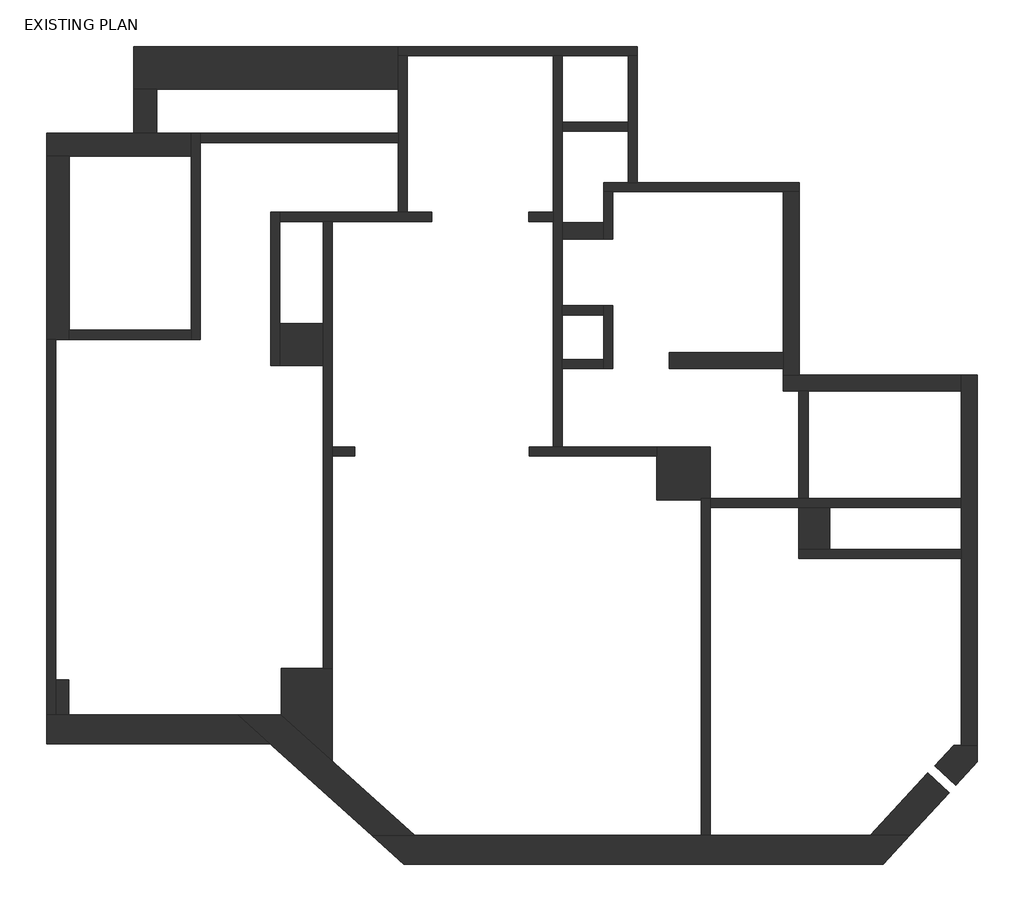
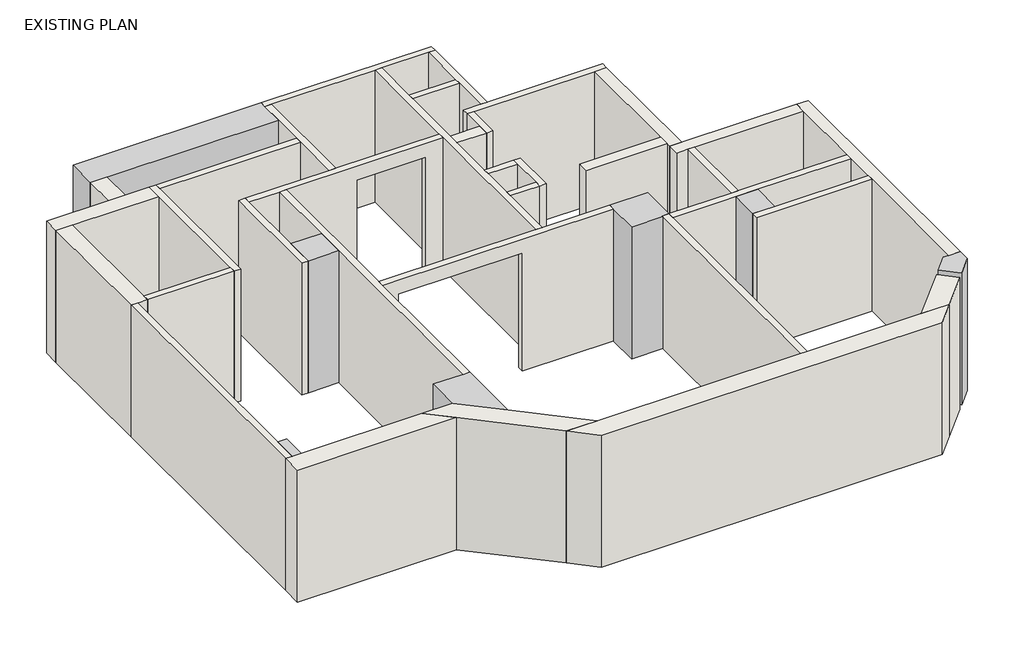
# One storey: 34 walls, 7 columns.
"""IFC4 building model written with IfcOpenShell, lengths in millimetres."""

from ifc_helpers import new_model, si_unit, origin, origin_with_axes, place, context, project, spatial, polyline, outline, extrude, faceted_brep, element, save

model = new_model("IFC4")

# Units and contexts
model_context = context("Model", 3, world=origin())
ifc_project = project(units=[si_unit("LENGTHUNIT", "METRE", prefix="MILLI")], contexts=[model_context])

# Site, building, storey
site = spatial("IfcSite", under=ifc_project)
building = spatial("IfcBuilding", under=site)
storey = spatial("IfcBuildingStorey", under=building, Name="EXISTING PLAN", Elevation=0.0)

# Columns
placement = place(None, origin())
element("IfcColumn", 1, ObjectType="Rectangular Column : 1' 4 1/2\" x 1' 10 3/8\"", at=placement, inside=storey, context=model_context, shape_type="SweptSolid", body=[
    extrude(outline(polyline([(-3485.2627902, 251.6538899), (-3485.2627902, -316.6711101), (-3904.3627902, -316.6711101), (-3904.3627902, 251.6538899), (-3485.2627902, 251.6538899)])), origin_with_axes(), (0.0, 0.0, 1.0), 2667.0),
])
element("IfcColumn", 2, ObjectType="Rectangular Column : 1'10 1/2\" x 1' 11 1/8", at=placement, inside=storey, context=model_context, shape_type="SweptSolid", body=[
    extrude(outline(polyline([(-10368.6627902, 2753.5538899), (-10368.6627902, 2182.0538899), (-10956.0377902, 2182.0538899), (-10956.0377902, 2753.5538899), (-10368.6627902, 2753.5538899)])), origin_with_axes(), (0.0, 0.0, 1.0), 2667.0),
])
element("IfcColumn", 3, ObjectType="Rectangular Column : 11' 9 3/8\" x 1' 10 3/4\"", at=placement, inside=storey, context=model_context, shape_type="Brep", body=[
    faceted_brep([(-9349.4877902, 6519.1038899, 0.0), (-9349.4877902, 6395.2788899, 0.0), (-9349.4877902, 5941.2538899, 0.0), (-12629.2627902, 5941.2538899, 0.0), (-12940.4127902, 5941.2538899, 0.0), (-12940.4127902, 6519.1038899, 0.0), (-9349.4877902, 6519.1038899, 2667.0), (-9349.4877902, 6395.2788899, 2667.0), (-9349.4877902, 5941.2538899, 2667.0), (-12629.2627902, 5941.2538899, 2667.0), (-12940.4127902, 5941.2538899, 2667.0), (-12940.4127902, 6519.1038899, 2667.0)], [[[0, 1, 2, 3, 4, 5]], [[6, 7, 8, 2, 1, 0]], [[8, 9, 10, 4, 3, 2]], [[10, 11, 5, 4]], [[11, 6, 0, 5]], [[6, 11, 10, 9, 8, 7]]]),
])
element("IfcColumn", 4, ObjectType="Rectangular Column : 2'-4.5\" x 2'-4.5\"", at=placement, inside=storey, context=model_context, shape_type="Brep", body=[
    faceted_brep([(-5834.7627902, 353.2538899, 0.0), (-5834.7627902, 953.3288899, 0.0), (-5834.7627902, 1077.1538899, 0.0), (-5110.8627902, 1077.1538899, 0.0), (-5110.8627902, 375.4788899, 0.0), (-5234.6877902, 375.4788899, 0.0), (-5234.6877902, 353.2538899, 0.0), (-5110.8627902, 1077.1538899, 2667.0), (-5110.8627902, 375.4788899, 2667.0), (-5834.7627902, 353.2538899, 2667.0), (-5234.6877902, 353.2538899, 2667.0), (-5834.7627902, 953.3288899, 2667.0), (-5834.7627902, 1077.1538899, 2667.0), (-5234.6877902, 375.4788899, 2667.0)], [[[0, 1, 2, 3, 4, 5, 6]], [[3, 7, 8, 4]], [[9, 0, 6, 10]], [[2, 1, 0, 9, 11, 12]], [[3, 2, 12, 7]], [[12, 11, 9, 10, 13, 8, 7]], [[5, 13, 10, 6]], [[13, 5, 4, 8]]]),
])
element("IfcColumn", 5, ObjectType="Rectangular Column : 8 3/4\" x 18 3/4\"", at=placement, inside=storey, context=model_context, shape_type="SweptSolid", body=[
    extrude(outline(polyline([(-13829.4127902, -2091.4961101), (-13829.4127902, -2567.7461101), (-14004.0377902, -2567.7461101), (-14004.0377902, -2091.4961101), (-13829.4127902, -2091.4961101)])), origin_with_axes(), (0.0, 0.0, 1.0), 2667.0),
])
element("IfcColumn", 6, ObjectType="column : column", at=placement, inside=storey, context=model_context, shape_type="Brep", body=[
    faceted_brep([(-10940.1627902, -1934.034389, 0.0), (-10368.6627902, -1934.034389, 0.0), (-10244.8377902, -1934.034389, 0.0), (-10244.8377902, -3196.2210054, 0.0), (-10940.1627902, -2570.1475633, 0.0), (-10940.1627902, -1934.034389, 2667.0), (-10940.1627902, -2570.1475633, 2667.0), (-10368.6627902, -1934.034389, 2667.0), (-10244.8377902, -1934.034389, 2667.0), (-10244.8377902, -3196.2210054, 2667.0)], [[[0, 1, 2, 3, 4]], [[5, 0, 4, 6]], [[2, 1, 0, 5, 7, 8]], [[2, 8, 9, 3]], [[8, 7, 5, 6, 9]], [[4, 3, 9, 6]]]),
])
element("IfcColumn", 7, ObjectType="column2 : column2", at=placement, inside=storey, context=model_context, shape_type="Brep", body=[
    faceted_brep([(-1478.6627902, -2978.7503636, 0.0), (-1478.6627902, -3208.2510843, 0.0), (-1770.2133842, -3524.9494192, 0.0), (-2059.8636774, -3258.2990908, 0.0), (-1802.5127902, -2978.7503636, 0.0), (-1700.9127902, -2978.7503636, 0.0), (-1478.6627902, -2978.7503636, 2667.0), (-1478.6627902, -3208.2510843, 2667.0), (-1770.2133842, -3524.9494192, 2667.0), (-2059.8636774, -3258.2990908, 2667.0), (-1802.5127902, -2978.7503636, 2667.0), (-1700.9127902, -2978.7503636, 2667.0)], [[[0, 1, 2, 3, 4, 5]], [[6, 7, 1, 0]], [[7, 8, 2, 1]], [[8, 9, 3, 2]], [[10, 11, 6, 0, 5, 4]], [[6, 11, 10, 9, 8, 7]], [[9, 10, 4, 3]]]),
])

# Walls
element("IfcWall", 8, ObjectType="Exterior - Brick on CMU 1' 3.5\"", at=placement, inside=storey, context=model_context, shape_type="Brep", body=[
    faceted_brep([(-14127.8627902, -2961.4461101, 0.0), (-11093.9571447, -2961.4461101, 0.0), (-11093.9571447, -2961.4461101, 2667.0), (-14127.8627902, -2961.4461101, 2667.0), (-14127.8627902, -2567.7461101, 0.0), (-14127.8627902, -2567.7461101, 2667.0), (-14004.0377902, -2567.7461101, 2667.0), (-13829.4127902, -2567.7461101, 2667.0), (-11531.2052918, -2567.7461101, 2667.0), (-11531.2052918, -2567.7461101, 0.0), (-13829.4127902, -2567.7461101, 0.0), (-14004.0377902, -2567.7461101, 0.0)], [[[0, 1, 2, 3]], [[4, 5, 6, 7, 8, 9, 10, 11]], [[1, 0, 4, 11, 10, 9]], [[3, 2, 8, 7, 6, 5]], [[0, 3, 5, 4]], [[2, 1, 9, 8]]]),
])
element("IfcWall", 9, ObjectType="Exterior - Brick on CMU 1' 3.5\"", at=placement, inside=storey, context=model_context, shape_type="Brep", body=[
    faceted_brep([(-9274.4406617, -4599.7461101, 0.0), (-2759.6647931, -4599.7461101, 0.0), (-2759.6647931, -4599.7461101, 2667.0), (-9274.4406617, -4599.7461101, 2667.0), (-9711.6888088, -4206.0461101, 0.0), (-9711.6888088, -4206.0461101, 2667.0), (-9123.3133911, -4206.0461101, 2667.0), (-5234.6877902, -4206.0461101, 2667.0), (-5110.8627902, -4206.0461101, 2667.0), (-2932.3539181, -4206.0461101, 2667.0), (-2397.2269265, -4206.0461101, 2667.0), (-2397.2269265, -4206.0461101, 0.0), (-2932.3539181, -4206.0461101, 0.0), (-5110.8627902, -4206.0461101, 0.0), (-5234.6877902, -4206.0461101, 0.0), (-9123.3133911, -4206.0461101, 0.0)], [[[0, 1, 2, 3]], [[4, 5, 6, 7, 8, 9, 10, 11, 12, 13, 14, 15]], [[1, 0, 4, 15, 14, 13, 12, 11]], [[3, 2, 10, 9, 8, 7, 6, 5]], [[0, 3, 5, 4]], [[2, 1, 11, 10]]]),
])
element("IfcWall", 10, ObjectType="Exterior - Brick on CMU 1' 3.5\"", at=placement, inside=storey, context=model_context, shape_type="Brep", body=[
    faceted_brep([(-11531.2052918, -2567.7461101, 0.0), (-11093.9571447, -2961.4461101, 0.0), (-9711.6888088, -4206.0461101, 0.0), (-9711.6888088, -4206.0461101, 2667.0), (-11093.9571447, -2961.4461101, 2667.0), (-11531.2052918, -2567.7461101, 2667.0), (-10942.8298741, -2567.7461101, 0.0), (-10942.8298741, -2567.7461101, 2667.0), (-10940.1627902, -2570.1475633, 2667.0), (-10244.8377902, -3196.2210054, 2667.0), (-9123.3133911, -4206.0461101, 2667.0), (-9123.3133911, -4206.0461101, 0.0), (-10244.8377902, -3196.2210054, 0.0), (-10940.1627902, -2570.1475633, 0.0)], [[[0, 1, 2, 3, 4, 5]], [[6, 7, 8, 9, 10, 11, 12, 13]], [[2, 1, 0, 6, 13, 12, 11]], [[5, 4, 3, 10, 9, 8, 7]], [[0, 5, 7, 6]], [[3, 2, 11, 10]]]),
])
element("IfcWall", 11, ObjectType="Exterior - Brick on CMU 1' 3.5\"", at=placement, inside=storey, context=model_context, shape_type="SweptSolid", body=[
    extrude(outline(polyline([(-1862.5259179, -3625.2243845), (-2397.2269265, -4206.0461101), (-2932.3539181, -4206.0461101), (-2152.176211, -3358.574056), (-1862.5259179, -3625.2243845)])), origin_with_axes(), (0.0, 0.0, 1.0), 2667.0),
])
element("IfcWall", 12, ObjectType="Interior - 8 3/4\"", at=placement, inside=storey, context=model_context, shape_type="Brep", body=[
    faceted_brep([(-4120.2627902, 4544.2538899, 0.0), (-4120.2627902, 2359.8538899, 0.0), (-4120.2627902, 2137.6038899, 0.0), (-4120.2627902, 2055.0538899, 0.0), (-4120.2627902, 2055.0538899, 2667.0), (-4120.2627902, 2137.6038899, 2667.0), (-4120.2627902, 2359.8538899, 2667.0), (-4120.2627902, 4544.2538899, 2667.0), (-3898.0127902, 4544.2538899, 0.0), (-3898.0127902, 4544.2538899, 2667.0), (-3898.0127902, 2055.0538899, 2667.0), (-3898.0127902, 2055.0538899, 0.0)], [[[0, 1, 2, 3, 4, 5, 6, 7]], [[8, 9, 10, 11]], [[3, 2, 1, 0, 8, 11]], [[7, 6, 5, 4, 10, 9]], [[0, 7, 9, 8]], [[4, 3, 11, 10]]]),
])
element("IfcWall", 13, ObjectType="Interior - 8 3/4\"", at=placement, inside=storey, context=model_context, shape_type="SweptSolid", body=[
    extrude(outline(polyline([(-5669.6627902, 2359.8538899), (-4120.2627902, 2359.8538899), (-4120.2627902, 2137.6038899), (-5669.6627902, 2137.6038899), (-5669.6627902, 2359.8538899)])), origin_with_axes(), (0.0, 0.0, 1.0), 2667.0),
])
element("IfcWall", 14, ObjectType="Interior - 8 3/4\"", at=placement, inside=storey, context=model_context, shape_type="SweptSolid", body=[
    extrude(outline(polyline([(-7120.6377902, 4125.1538899), (-6555.4877902, 4125.1538899), (-6555.4877902, 3902.9038899), (-7120.6377902, 3902.9038899), (-7120.6377902, 4125.1538899)])), origin_with_axes(), (0.0, 0.0, 1.0), 2667.0),
])
element("IfcWall", 15, ObjectType="Interior - 8 3/4\"", at=placement, inside=storey, context=model_context, shape_type="Brep", body=[
    faceted_brep([(-1700.9127902, 2055.0538899, 0.0), (-1700.9127902, 1832.8038899, 0.0), (-1700.9127902, 375.4788899, 0.0), (-1700.9127902, 251.6538899, 0.0), (-1700.9127902, -316.6711101, 0.0), (-1700.9127902, -440.4961101, 0.0), (-1700.9127902, -2978.7503636, 0.0), (-1700.9127902, -2978.7503636, 2667.0), (-1700.9127902, -440.4961101, 2667.0), (-1700.9127902, -316.6711101, 2667.0), (-1700.9127902, 251.6538899, 2667.0), (-1700.9127902, 375.4788899, 2667.0), (-1700.9127902, 1832.8038899, 2667.0), (-1700.9127902, 2055.0538899, 2667.0), (-1478.6627902, 2055.0538899, 0.0), (-1478.6627902, 2055.0538899, 2667.0), (-1478.6627902, -2978.7503636, 2667.0), (-1478.6627902, -2978.7503636, 0.0)], [[[0, 1, 2, 3, 4, 5, 6, 7, 8, 9, 10, 11, 12, 13]], [[14, 15, 16, 17]], [[6, 5, 4, 3, 2, 1, 0, 14, 17]], [[7, 6, 17, 16]], [[13, 12, 11, 10, 9, 8, 7, 16, 15]], [[0, 13, 15, 14]]]),
])
element("IfcWall", 16, ObjectType="Interior - 8 3/4\"", at=placement, inside=storey, context=model_context, shape_type="Brep", body=[
    faceted_brep([(-1700.9127902, 2055.0538899, 0.0), (-3898.0127902, 2055.0538899, 0.0), (-4120.2627902, 2055.0538899, 0.0), (-4120.2627902, 2055.0538899, 2667.0), (-3898.0127902, 2055.0538899, 2667.0), (-1700.9127902, 2055.0538899, 2667.0), (-1700.9127902, 1832.8038899, 0.0), (-1700.9127902, 1832.8038899, 2667.0), (-3780.5377902, 1832.8038899, 2667.0), (-3904.3627902, 1832.8038899, 2667.0), (-4120.2627902, 1832.8038899, 2667.0), (-4120.2627902, 1832.8038899, 0.0), (-3904.3627902, 1832.8038899, 0.0), (-3780.5377902, 1832.8038899, 0.0)], [[[0, 1, 2, 3, 4, 5]], [[6, 7, 8, 9, 10, 11, 12, 13]], [[2, 1, 0, 6, 13, 12, 11]], [[5, 4, 3, 10, 9, 8, 7]], [[0, 5, 7, 6]], [[3, 2, 11, 10]]]),
])
element("IfcWall", 17, ObjectType="Interior - TYP. 4 7/8\"", at=placement, inside=storey, context=model_context, shape_type="Brep", body=[
    faceted_brep([(-9349.4877902, 6395.2788899, 0.0), (-9225.6627902, 6395.2788899, 0.0), (-7244.4627902, 6395.2788899, 0.0), (-7120.6377902, 6395.2788899, 0.0), (-6222.5571616, 6395.2788899, 0.0), (-6098.7321616, 6395.2788899, 0.0), (-6098.7321616, 6395.2788899, 2667.0), (-6222.5571616, 6395.2788899, 2667.0), (-7120.6377902, 6395.2788899, 2667.0), (-7244.4627902, 6395.2788899, 2667.0), (-9225.6627902, 6395.2788899, 2667.0), (-9349.4877902, 6395.2788899, 2667.0), (-9349.4877902, 6519.1038899, 0.0), (-9349.4877902, 6519.1038899, 2667.0), (-6098.7321616, 6519.1038899, 2667.0), (-6098.7321616, 6519.1038899, 0.0)], [[[0, 1, 2, 3, 4, 5, 6, 7, 8, 9, 10, 11]], [[12, 13, 14, 15]], [[5, 4, 3, 2, 1, 0, 12, 15]], [[11, 10, 9, 8, 7, 6, 14, 13]], [[6, 5, 15, 14]], [[0, 11, 13, 12]]]),
])
element("IfcWall", 18, ObjectType="Interior - TYP. 4 7/8\"", at=placement, inside=storey, context=model_context, shape_type="Brep", body=[
    faceted_brep([(-6222.5571616, 6395.2788899, 0.0), (-6222.5571616, 5490.4038899, 0.0), (-6222.5571616, 5366.5788899, 0.0), (-6222.5571616, 4668.0788899, 0.0), (-6222.5571616, 4668.0788899, 2667.0), (-6222.5571616, 5366.5788899, 2667.0), (-6222.5571616, 5490.4038899, 2667.0), (-6222.5571616, 6395.2788899, 2667.0), (-6098.7321616, 6395.2788899, 0.0), (-6098.7321616, 6395.2788899, 2667.0), (-6098.7321616, 4668.0788899, 2667.0), (-6098.7321616, 4668.0788899, 0.0)], [[[0, 1, 2, 3, 4, 5, 6, 7]], [[8, 9, 10, 11]], [[3, 2, 1, 0, 8, 11]], [[7, 6, 5, 4, 10, 9]], [[0, 7, 9, 8]], [[4, 3, 11, 10]]]),
])
element("IfcWall", 19, ObjectType="Interior - TYP. 4 7/8\"", at=placement, inside=storey, context=model_context, shape_type="Brep", body=[
    faceted_brep([(-6555.4877902, 4544.2538899, 0.0), (-6431.6627902, 4544.2538899, 0.0), (-4120.2627902, 4544.2538899, 0.0), (-3898.0127902, 4544.2538899, 0.0), (-3898.0127902, 4544.2538899, 2667.0), (-4120.2627902, 4544.2538899, 2667.0), (-6431.6627902, 4544.2538899, 2667.0), (-6555.4877902, 4544.2538899, 2667.0), (-6555.4877902, 4668.0788899, 0.0), (-6555.4877902, 4668.0788899, 2667.0), (-6222.5571616, 4668.0788899, 2667.0), (-6098.7321616, 4668.0788899, 2667.0), (-3898.0127902, 4668.0788899, 2667.0), (-3898.0127902, 4668.0788899, 0.0), (-6098.7321616, 4668.0788899, 0.0), (-6222.5571616, 4668.0788899, 0.0)], [[[0, 1, 2, 3, 4, 5, 6, 7]], [[8, 9, 10, 11, 12, 13, 14, 15]], [[3, 2, 1, 0, 8, 15, 14, 13]], [[7, 6, 5, 4, 12, 11, 10, 9]], [[4, 3, 13, 12]], [[0, 7, 9, 8]]]),
])
element("IfcWall", 20, ObjectType="Interior - TYP. 4 7/8\"", at=placement, inside=storey, context=model_context, shape_type="Brep", body=[
    faceted_brep([(-6431.6627902, 2137.6038899, 0.0), (-6431.6627902, 2994.8538899, 0.0), (-6431.6627902, 2994.8538899, 2667.0), (-6431.6627902, 2137.6038899, 2667.0), (-6555.4877902, 2137.6038899, 0.0), (-6555.4877902, 2137.6038899, 2667.0), (-6555.4877902, 2261.4288899, 2667.0), (-6555.4877902, 2871.0288899, 2667.0), (-6555.4877902, 2994.8538899, 2667.0), (-6555.4877902, 2994.8538899, 0.0), (-6555.4877902, 2871.0288899, 0.0), (-6555.4877902, 2261.4288899, 0.0)], [[[0, 1, 2, 3]], [[4, 5, 6, 7, 8, 9, 10, 11]], [[1, 0, 4, 11, 10, 9]], [[3, 2, 8, 7, 6, 5]], [[2, 1, 9, 8]], [[0, 3, 5, 4]]]),
])
element("IfcWall", 21, ObjectType="Interior - TYP. 4 7/8\"", at=placement, inside=storey, context=model_context, shape_type="SweptSolid", body=[
    extrude(outline(polyline([(-7120.6377902, 2994.8538899), (-6555.4877902, 2994.8538899), (-6555.4877902, 2871.0288899), (-7120.6377902, 2871.0288899), (-7120.6377902, 2994.8538899)])), origin_with_axes(), (0.0, 0.0, 1.0), 2667.0),
])
element("IfcWall", 22, ObjectType="Interior - TYP. 4 7/8\"", at=placement, inside=storey, context=model_context, shape_type="Brep", body=[
    faceted_brep([(-7244.4627902, 6395.2788899, 0.0), (-7244.4627902, 4264.8538899, 0.0), (-7244.4627902, 4141.0288899, 0.0), (-7244.4627902, 1077.1538899, 0.0), (-7244.4627902, 1077.1538899, 2667.0), (-7244.4627902, 4141.0288899, 2667.0), (-7244.4627902, 4264.8538899, 2667.0), (-7244.4627902, 6395.2788899, 2667.0), (-7120.6377902, 6395.2788899, 0.0), (-7120.6377902, 6395.2788899, 2667.0), (-7120.6377902, 5490.4038899, 2667.0), (-7120.6377902, 5366.5788899, 2667.0), (-7120.6377902, 4125.1538899, 2667.0), (-7120.6377902, 3902.9038899, 2667.0), (-7120.6377902, 2994.8538899, 2667.0), (-7120.6377902, 2871.0288899, 2667.0), (-7120.6377902, 2261.4288899, 2667.0), (-7120.6377902, 2137.6038899, 2667.0), (-7120.6377902, 1077.1538899, 2667.0), (-7120.6377902, 1077.1538899, 0.0), (-7120.6377902, 2137.6038899, 0.0), (-7120.6377902, 2261.4288899, 0.0), (-7120.6377902, 2871.0288899, 0.0), (-7120.6377902, 2994.8538899, 0.0), (-7120.6377902, 3902.9038899, 0.0), (-7120.6377902, 4125.1538899, 0.0), (-7120.6377902, 5366.5788899, 0.0), (-7120.6377902, 5490.4038899, 0.0)], [[[0, 1, 2, 3, 4, 5, 6, 7]], [[8, 9, 10, 11, 12, 13, 14, 15, 16, 17, 18, 19, 20, 21, 22, 23, 24, 25, 26, 27]], [[3, 2, 1, 0, 8, 27, 26, 25, 24, 23, 22, 21, 20, 19]], [[7, 6, 5, 4, 18, 17, 16, 15, 14, 13, 12, 11, 10, 9]], [[0, 7, 9, 8]], [[4, 3, 19, 18]]]),
])
element("IfcWall", 23, ObjectType="Interior - TYP. 4 7/8\"", at=placement, inside=storey, context=model_context, shape_type="SweptSolid", body=[
    extrude(outline(polyline([(-6555.4877902, 2137.6038899), (-7120.6377902, 2137.6038899), (-7120.6377902, 2261.4288899), (-6555.4877902, 2261.4288899), (-6555.4877902, 2137.6038899)])), origin_with_axes(), (0.0, 0.0, 1.0), 2667.0),
])
element("IfcWall", 24, ObjectType="Interior - TYP. 4 7/8\"", at=placement, inside=storey, context=model_context, shape_type="SweptSolid", body=[
    extrude(outline(polyline([(-6222.5571616, 5366.5788899), (-7120.6377902, 5366.5788899), (-7120.6377902, 5490.4038899), (-6222.5571616, 5490.4038899), (-6222.5571616, 5366.5788899)])), origin_with_axes(), (0.0, 0.0, 1.0), 2667.0),
])
element("IfcWall", 25, ObjectType="Interior - TYP. 4 7/8\"", at=placement, inside=storey, context=model_context, shape_type="Brep", body=[
    faceted_brep([(-6555.4877902, 4544.2538899, 0.0), (-6555.4877902, 4125.1538899, 0.0), (-6555.4877902, 3902.9038899, 0.0), (-6555.4877902, 3902.9038899, 2667.0), (-6555.4877902, 4125.1538899, 2667.0), (-6555.4877902, 4544.2538899, 2667.0), (-6431.6627902, 4544.2538899, 0.0), (-6431.6627902, 4544.2538899, 2667.0), (-6431.6627902, 3902.9038899, 2667.0), (-6431.6627902, 3902.9038899, 0.0)], [[[0, 1, 2, 3, 4, 5]], [[6, 7, 8, 9]], [[2, 1, 0, 6, 9]], [[5, 4, 3, 8, 7]], [[0, 5, 7, 6]], [[3, 2, 9, 8]]]),
])
element("IfcWall", 26, ObjectType="Interior - TYP. 4 7/8\"", at=placement, inside=storey, context=model_context, shape_type="Brep", body=[
    faceted_brep([(-9349.4877902, 6395.2788899, 0.0), (-9349.4877902, 5941.2538899, 0.0), (-9349.4877902, 5338.0038899, 0.0), (-9349.4877902, 5214.1788899, 0.0), (-9349.4877902, 4264.8538899, 0.0), (-9349.4877902, 4264.8538899, 2667.0), (-9349.4877902, 5214.1788899, 2667.0), (-9349.4877902, 5338.0038899, 2667.0), (-9349.4877902, 5941.2538899, 2667.0), (-9349.4877902, 6395.2788899, 2667.0), (-9225.6627902, 6395.2788899, 0.0), (-9225.6627902, 6395.2788899, 2667.0), (-9225.6627902, 4264.8538899, 2667.0), (-9225.6627902, 4264.8538899, 0.0)], [[[0, 1, 2, 3, 4, 5, 6, 7, 8, 9]], [[10, 11, 12, 13]], [[4, 3, 2, 1, 0, 10, 13]], [[9, 8, 7, 6, 5, 12, 11]], [[0, 9, 11, 10]], [[5, 4, 13, 12]]]),
])
element("IfcWall", 27, ObjectType="Interior - TYP. 4 7/8\"", at=placement, inside=storey, context=model_context, shape_type="SweptSolid", body=[
    extrude(outline(polyline([(-12038.7127902, 5338.0038899), (-9349.4877902, 5338.0038899), (-9349.4877902, 5214.1788899), (-12038.7127902, 5214.1788899), (-12038.7127902, 5338.0038899)])), origin_with_axes(), (0.0, 0.0, 1.0), 2667.0),
])
element("IfcWall", 28, ObjectType="Interior - TYP. 4 7/8\"", at=placement, inside=storey, context=model_context, shape_type="Brep", body=[
    faceted_brep([(-12162.5377902, 5338.0038899, 0.0), (-12162.5377902, 5026.8538899, 0.0), (-12162.5377902, 2661.4788899, 0.0), (-12162.5377902, 2537.6538899, 0.0), (-12162.5377902, 2537.6538899, 2667.0), (-12162.5377902, 2661.4788899, 2667.0), (-12162.5377902, 5026.8538899, 2667.0), (-12162.5377902, 5338.0038899, 2667.0), (-12038.7127902, 5338.0038899, 0.0), (-12038.7127902, 5338.0038899, 2667.0), (-12038.7127902, 5214.1788899, 2667.0), (-12038.7127902, 2537.6538899, 2667.0), (-12038.7127902, 2537.6538899, 0.0), (-12038.7127902, 5214.1788899, 0.0)], [[[0, 1, 2, 3, 4, 5, 6, 7]], [[8, 9, 10, 11, 12, 13]], [[3, 2, 1, 0, 8, 13, 12]], [[7, 6, 5, 4, 11, 10, 9]], [[0, 7, 9, 8]], [[4, 3, 12, 11]]]),
])
element("IfcWall", 29, ObjectType="Interior - TYP. 4 7/8\"", at=placement, inside=storey, context=model_context, shape_type="SweptSolid", body=[
    extrude(outline(polyline([(-13816.7127902, 2661.4788899), (-12162.5377902, 2661.4788899), (-12162.5377902, 2537.6538899), (-13816.7127902, 2537.6538899), (-13816.7127902, 2661.4788899)])), origin_with_axes(), (0.0, 0.0, 1.0), 2667.0),
])
element("IfcWall", 30, ObjectType="Interior - TYP. 4 7/8\"", at=placement, inside=storey, context=model_context, shape_type="Brep", body=[
    faceted_brep([(-14127.8627902, 2537.6538899, 0.0), (-14127.8627902, -2567.7461101, 0.0), (-14127.8627902, -2567.7461101, 2667.0), (-14127.8627902, 2537.6538899, 2667.0), (-14004.0377902, 2537.6538899, 0.0), (-14004.0377902, 2537.6538899, 2667.0), (-14004.0377902, -2091.4961101, 2667.0), (-14004.0377902, -2567.7461101, 2667.0), (-14004.0377902, -2567.7461101, 0.0), (-14004.0377902, -2091.4961101, 0.0)], [[[0, 1, 2, 3]], [[4, 5, 6, 7, 8, 9]], [[1, 0, 4, 9, 8]], [[3, 2, 7, 6, 5]], [[2, 1, 8, 7]], [[0, 3, 5, 4]]]),
])
element("IfcWall", 31, ObjectType="Interior - TYP. 4 7/8\"", at=placement, inside=storey, context=model_context, shape_type="Brep", body=[
    faceted_brep([(-11079.8627902, 4264.8538899, 0.0), (-11079.8627902, 2182.0538899, 0.0), (-11079.8627902, 2182.0538899, 2667.0), (-11079.8627902, 4264.8538899, 2667.0), (-10956.0377902, 4264.8538899, 0.0), (-10956.0377902, 4264.8538899, 2667.0), (-10956.0377902, 4141.0288899, 2667.0), (-10956.0377902, 2753.5538899, 2667.0), (-10956.0377902, 2182.0538899, 2667.0), (-10956.0377902, 2182.0538899, 0.0), (-10956.0377902, 2753.5538899, 0.0), (-10956.0377902, 4141.0288899, 0.0)], [[[0, 1, 2, 3]], [[4, 5, 6, 7, 8, 9, 10, 11]], [[1, 0, 4, 11, 10, 9]], [[2, 1, 9, 8]], [[3, 2, 8, 7, 6, 5]], [[0, 3, 5, 4]]]),
])
element("IfcWall", 32, ObjectType="Interior - TYP. 4 7/8\"", at=placement, inside=storey, context=model_context, shape_type="Brep", body=[
    faceted_brep([(-10368.6627902, 4141.0288899, 0.0), (-10368.6627902, 2753.5538899, 0.0), (-10368.6627902, 2182.0538899, 0.0), (-10368.6627902, -1934.034389, 0.0), (-10368.6627902, -1934.034389, 2667.0), (-10368.6627902, 2182.0538899, 2667.0), (-10368.6627902, 2753.5538899, 2667.0), (-10368.6627902, 4141.0288899, 2667.0), (-10244.8377902, 4141.0288899, 0.0), (-10244.8377902, 4141.0288899, 2667.0), (-10244.8377902, 1077.1538899, 2667.0), (-10244.8377902, 953.3288899, 2667.0), (-10244.8377902, -1934.034389, 2667.0), (-10244.8377902, -1934.034389, 0.0), (-10244.8377902, 953.3288899, 0.0), (-10244.8377902, 1077.1538899, 0.0)], [[[0, 1, 2, 3, 4, 5, 6, 7]], [[8, 9, 10, 11, 12, 13, 14, 15]], [[3, 2, 1, 0, 8, 15, 14, 13]], [[4, 3, 13, 12]], [[7, 6, 5, 4, 12, 11, 10, 9]], [[0, 7, 9, 8]]]),
])
element("IfcWall", 33, ObjectType="Interior - TYP. 4 7/8\"", at=placement, inside=storey, context=model_context, shape_type="Brep", body=[
    faceted_brep([(-5834.7627902, 953.3288899, 0.0), (-5834.7627902, 953.3288899, 2667.0), (-10244.8377902, 953.3288899, 2667.0), (-10244.8377902, 953.3288899, 0.0), (-9940.0377902, 953.3288899, 0.0), (-9940.0377902, 953.3288899, 2387.6), (-7571.4877902, 953.3288899, 2387.6), (-7571.4877902, 953.3288899, 0.0), (-5834.7627902, 1077.1538899, 2667.0), (-5834.7627902, 1077.1538899, 0.0), (-7120.6377902, 1077.1538899, 0.0), (-7244.4627902, 1077.1538899, 0.0), (-7571.4877902, 1077.1538899, 0.0), (-7571.4877902, 1077.1538899, 2387.6), (-9940.0377902, 1077.1538899, 2387.6), (-9940.0377902, 1077.1538899, 0.0), (-10244.8377902, 1077.1538899, 0.0), (-10244.8377902, 1077.1538899, 2667.0), (-7244.4627902, 1077.1538899, 2667.0), (-7120.6377902, 1077.1538899, 2667.0)], [[[0, 1, 2, 3, 4, 5, 6, 7]], [[8, 9, 10, 11, 12, 13, 14, 15, 16, 17, 18, 19]], [[3, 2, 17, 16]], [[1, 0, 9, 8]], [[2, 1, 8, 19, 18, 17]], [[9, 0, 7, 12, 11, 10]], [[3, 16, 15, 4]], [[6, 13, 12, 7]], [[14, 5, 4, 15]], [[13, 6, 5, 14]]]),
])
element("IfcWall", 34, ObjectType="Interior - TYP. 4 7/8\"", at=placement, inside=storey, context=model_context, shape_type="Brep", body=[
    faceted_brep([(-5234.6877902, 375.4788899, 0.0), (-5234.6877902, 353.2538899, 0.0), (-5234.6877902, -4206.0461101, 0.0), (-5234.6877902, -4206.0461101, 2667.0), (-5234.6877902, 353.2538899, 2667.0), (-5234.6877902, 375.4788899, 2667.0), (-5110.8627902, 375.4788899, 0.0), (-5110.8627902, 375.4788899, 2667.0), (-5110.8627902, 251.6538899, 2667.0), (-5110.8627902, -4206.0461101, 2667.0), (-5110.8627902, -4206.0461101, 0.0), (-5110.8627902, 251.6538899, 0.0)], [[[0, 1, 2, 3, 4, 5]], [[6, 7, 8, 9, 10, 11]], [[2, 1, 0, 6, 11, 10]], [[5, 4, 3, 9, 8, 7]], [[0, 5, 7, 6]], [[3, 2, 10, 9]]]),
])
element("IfcWall", 35, ObjectType="Interior - TYP. 4 7/8\"", at=placement, inside=storey, context=model_context, shape_type="Brep", body=[
    faceted_brep([(-5110.8627902, 251.6538899, 0.0), (-3904.3627902, 251.6538899, 0.0), (-3485.2627902, 251.6538899, 0.0), (-1700.9127902, 251.6538899, 0.0), (-1700.9127902, 251.6538899, 2667.0), (-3485.2627902, 251.6538899, 2667.0), (-3904.3627902, 251.6538899, 2667.0), (-5110.8627902, 251.6538899, 2667.0), (-5110.8627902, 375.4788899, 0.0), (-5110.8627902, 375.4788899, 2667.0), (-3904.3627902, 375.4788899, 2667.0), (-3780.5377902, 375.4788899, 2667.0), (-1700.9127902, 375.4788899, 2667.0), (-1700.9127902, 375.4788899, 0.0), (-3780.5377902, 375.4788899, 0.0), (-3904.3627902, 375.4788899, 0.0)], [[[0, 1, 2, 3, 4, 5, 6, 7]], [[8, 9, 10, 11, 12, 13, 14, 15]], [[3, 2, 1, 0, 8, 15, 14, 13]], [[7, 6, 5, 4, 12, 11, 10, 9]], [[0, 7, 9, 8]], [[4, 3, 13, 12]]]),
])
element("IfcWall", 36, ObjectType="Interior - TYP. 4 7/8\"", at=placement, inside=storey, context=model_context, shape_type="SweptSolid", body=[
    extrude(outline(polyline([(-3780.5377902, 1832.8038899), (-3780.5377902, 375.4788899), (-3904.3627902, 375.4788899), (-3904.3627902, 1832.8038899), (-3780.5377902, 1832.8038899)])), origin_with_axes(), (0.0, 0.0, 1.0), 2667.0),
])
element("IfcWall", 37, ObjectType="Interior - TYP. 4 7/8\"", at=placement, inside=storey, context=model_context, shape_type="Brep", body=[
    faceted_brep([(-7244.4627902, 4141.0288899, 2667.0), (-10244.8377902, 4141.0288899, 2667.0), (-10368.6627902, 4141.0288899, 2667.0), (-10956.0377902, 4141.0288899, 2667.0), (-10956.0377902, 4141.0288899, 0.0), (-10368.6627902, 4141.0288899, 0.0), (-10244.8377902, 4141.0288899, 0.0), (-8895.4627902, 4141.0288899, 0.0), (-8895.4627902, 4141.0288899, 2387.6), (-7574.6627902, 4141.0288899, 2387.6), (-7574.6627902, 4141.0288899, 0.0), (-7244.4627902, 4141.0288899, 0.0), (-10956.0377902, 4264.8538899, 2667.0), (-9349.4877902, 4264.8538899, 2667.0), (-9225.6627902, 4264.8538899, 2667.0), (-7244.4627902, 4264.8538899, 2667.0), (-7244.4627902, 4264.8538899, 0.0), (-7574.6627902, 4264.8538899, 0.0), (-7574.6627902, 4264.8538899, 2387.6), (-8895.4627902, 4264.8538899, 2387.6), (-8895.4627902, 4264.8538899, 0.0), (-9225.6627902, 4264.8538899, 0.0), (-9349.4877902, 4264.8538899, 0.0), (-10956.0377902, 4264.8538899, 0.0)], [[[0, 1, 2, 3, 4, 5, 6, 7, 8, 9, 10, 11]], [[12, 13, 14, 15, 16, 17, 18, 19, 20, 21, 22, 23]], [[4, 23, 22, 21, 20, 7, 6, 5]], [[16, 11, 10, 17]], [[3, 2, 1, 0, 15, 14, 13, 12]], [[4, 3, 12, 23]], [[0, 11, 16, 15]], [[9, 18, 17, 10]], [[19, 8, 7, 20]], [[18, 9, 8, 19]]]),
])
element("IfcWall", 38, ObjectType="Interior - TYP. 4 7/8\"", at=placement, inside=storey, context=model_context, shape_type="Brep", body=[
    faceted_brep([(-3904.3627902, -440.4961101, 0.0), (-1700.9127902, -440.4961101, 0.0), (-1700.9127902, -440.4961101, 2667.0), (-3904.3627902, -440.4961101, 2667.0), (-3904.3627902, -316.6711101, 0.0), (-3904.3627902, -316.6711101, 2667.0), (-3485.2627902, -316.6711101, 2667.0), (-1700.9127902, -316.6711101, 2667.0), (-1700.9127902, -316.6711101, 0.0), (-3485.2627902, -316.6711101, 0.0)], [[[0, 1, 2, 3]], [[4, 5, 6, 7, 8, 9]], [[1, 0, 4, 9, 8]], [[3, 2, 7, 6, 5]], [[0, 3, 5, 4]], [[2, 1, 8, 7]]]),
])
element("IfcWall", 39, ObjectType="Interior -1' 1/4\"", at=placement, inside=storey, context=model_context, shape_type="Brep", body=[
    faceted_brep([(-14127.8627902, 5026.8538899, 0.0), (-13816.7127902, 5026.8538899, 0.0), (-12162.5377902, 5026.8538899, 0.0), (-12162.5377902, 5026.8538899, 2667.0), (-13816.7127902, 5026.8538899, 2667.0), (-14127.8627902, 5026.8538899, 2667.0), (-14127.8627902, 5338.0038899, 0.0), (-14127.8627902, 5338.0038899, 2667.0), (-12940.4127902, 5338.0038899, 2667.0), (-12629.2627902, 5338.0038899, 2667.0), (-12162.5377902, 5338.0038899, 2667.0), (-12162.5377902, 5338.0038899, 0.0), (-12629.2627902, 5338.0038899, 0.0), (-12940.4127902, 5338.0038899, 0.0)], [[[0, 1, 2, 3, 4, 5]], [[6, 7, 8, 9, 10, 11, 12, 13]], [[2, 1, 0, 6, 13, 12, 11]], [[5, 4, 3, 10, 9, 8, 7]], [[3, 2, 11, 10]], [[0, 5, 7, 6]]]),
])
element("IfcWall", 40, ObjectType="Interior -1' 1/4\"", at=placement, inside=storey, context=model_context, shape_type="Brep", body=[
    faceted_brep([(-14127.8627902, 5026.8538899, 0.0), (-14127.8627902, 2537.6538899, 0.0), (-14127.8627902, 2537.6538899, 2667.0), (-14127.8627902, 5026.8538899, 2667.0), (-13816.7127902, 5026.8538899, 0.0), (-13816.7127902, 5026.8538899, 2667.0), (-13816.7127902, 2661.4788899, 2667.0), (-13816.7127902, 2537.6538899, 2667.0), (-13816.7127902, 2537.6538899, 0.0), (-13816.7127902, 2661.4788899, 0.0), (-14004.0377902, 2537.6538899, 0.0), (-14004.0377902, 2537.6538899, 2667.0)], [[[0, 1, 2, 3]], [[4, 5, 6, 7, 8, 9]], [[1, 0, 4, 9, 8, 10]], [[3, 2, 11, 7, 6, 5]], [[0, 3, 5, 4]], [[2, 1, 10, 8, 7, 11]]]),
])
element("IfcWall", 41, ObjectType="Interior -1' 1/4\"", at=placement, inside=storey, context=model_context, shape_type="SweptSolid", body=[
    extrude(outline(polyline([(-12629.2627902, 5941.2538899), (-12629.2627902, 5338.0038899), (-12940.4127902, 5338.0038899), (-12940.4127902, 5941.2538899), (-12629.2627902, 5941.2538899)])), origin_with_axes(), (0.0, 0.0, 1.0), 2667.0),
])

save(model, "model.ifc")
